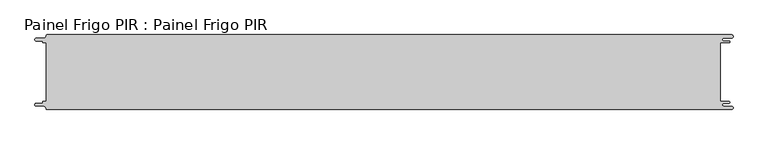
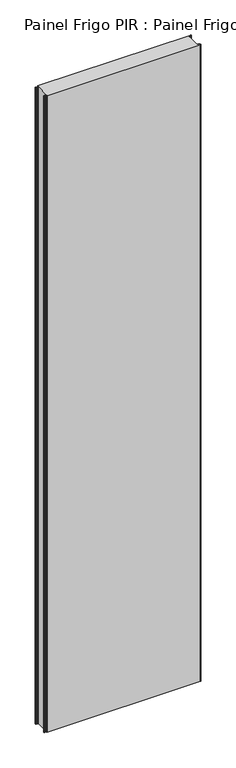
"""IFC4 building model written with IfcOpenShell, lengths in millimetres: proxy geometry, Painel Frigo PIR : Painel Frigo PIR."""

from ifc_helpers import new_model, si_unit, frame, origin, place, context, project, spatial, polyline, circle_curve, source, transform, mapped, element, save
from ifc_brep_helpers import plane_surface, cylinder_surface, revolved_surface, advanced_brep


def painel_frigo_pir_painel_frigo_pir_35807a9e(model_context):
    return source(origin(), model_context, "Body", "AdvancedBrep", [
        advanced_brep(
        [(-554.5874998, -47.3, 4800.0), (-555.1874998, -47.9, 4800.0), (-555.1874998, -48.7085184, 4800.0), (-556.5875001, -50.1085187, 4800.0), (-565.565625, -50.1085187, 4800.0), (-565.565625, -54.5085185, 4800.0), (-553.55, -54.5085185, 4800.0), (-550.0, -58.0585185, 4800.0), (-548.05, -60.0, 4800.0), (546.89375, -60.0, 4800.0), (546.89375, -54.725, 4800.0), (534.45625, -54.725, 4800.0), (534.45625, -49.875, 4800.0), (543.1187503, -49.875, 4800.0), (543.1187503, -47.3, 4800.0), (529.2687503, -47.3, 4800.0), (529.2687503, 47.3, 4800.0), (543.1187503, 47.3, 4800.0), (543.1187503, 49.875, 4800.0), (534.45625, 49.875, 4800.0), (534.45625, 54.725, 4800.0), (546.89375, 54.725, 4800.0), (546.89375, 60.0, 4800.0), (-548.05, 60.0, 4800.0), (-550.0, 58.05, 4800.0), (-553.55, 54.5085185, 4800.0), (-565.565625, 54.5085185, 4800.0), (-565.565625, 50.1085185, 4800.0), (-556.5875003, 50.1085185, 4800.0), (-555.1875003, 48.7085185, 4800.0), (-555.1875003, 47.9, 4800.0), (-554.5874998, 47.2999995, 4800.0), (-549.2999612, 47.2999995, 4800.0), (-549.2999612, -47.3, 4800.0), (-554.5874998, -47.3, 0.0), (-549.2999612, -47.3, 0.0), (-549.2999612, 47.2999995, 0.0), (-554.5874998, 47.2999995, 0.0), (-555.1875003, 47.9, 0.0), (-555.1875003, 48.7085185, 0.0), (-556.5875003, 50.1085185, 0.0), (-565.565625, 50.1085185, 0.0), (-565.565625, 54.5085185, 0.0), (-553.55, 54.5085185, 0.0), (-550.0, 58.0585185, 0.0), (-548.05, 60.0, 0.0), (546.89375, 60.0, 0.0), (546.89375, 54.725, 0.0), (534.45625, 54.725, 0.0), (534.45625, 49.875, 0.0), (543.1187503, 49.875, 0.0), (543.1187503, 47.3, 0.0), (529.2687503, 47.3, 0.0), (529.2687503, -47.3, 0.0), (543.1187503, -47.3, 0.0), (543.1187503, -49.875, 0.0), (534.45625, -49.875, 0.0), (534.45625, -54.725, 0.0), (546.89375, -54.725, 0.0), (546.89375, -60.0, 0.0), (-548.05, -60.0, 0.0), (-550.0, -58.05, 0.0), (-553.55, -54.5085185, 0.0), (-565.565625, -54.5085185, 0.0), (-565.565625, -50.1085187, 0.0), (-556.5875001, -50.1085187, 0.0), (-555.1874998, -48.7085184, 0.0), (-555.1874998, -47.9, 0.0)],
        [
            (0, 1, circle_curve(frame((-554.5874998, -47.9, 4800.0), z_axis=(0.0, 0.0, 1.0), x_axis=(1.0, 0.0, 0.0)), 0.6)),
            (1, 2),
            (2, 3, circle_curve(frame((-556.5875001, -48.7085184, 4800.0), z_axis=(0.0, 0.0, -1.0), x_axis=(1.0, 0.0, 0.0)), 1.4000003)),
            (3, 4),
            (4, 5, circle_curve(frame((-565.565625, -52.3085186, 4800.0), z_axis=(0.0, 0.0, 1.0), x_axis=(1.0, 0.0, 0.0)), 2.1999999)),
            (5, 6),
            (6, 7, circle_curve(frame((-553.55, -58.0585185, 4800.0), z_axis=(0.0, 0.0, -1.0), x_axis=(1.0, 0.0, 0.0)), 3.55)),
            (7, 8, circle_curve(frame((-548.05, -58.05, 4800.0), z_axis=(0.0, 0.0, 1.0), x_axis=(1.0, 0.0, 0.0)), 1.95)),
            (8, 9),
            (9, 10, circle_curve(frame((546.89375, -57.3625, 4800.0), z_axis=(0.0, 0.0, 1.0), x_axis=(1.0, 0.0, 0.0)), 2.6375)),
            (10, 11),
            (11, 12, circle_curve(frame((534.45625, -52.3, 4800.0), z_axis=(0.0, 0.0, -1.0), x_axis=(1.0, 0.0, 0.0)), 2.425)),
            (12, 13),
            (13, 14, circle_curve(frame((543.1187503, -48.5875, 4800.0), z_axis=(0.0, 0.0, 1.0), x_axis=(1.0, 0.0, 0.0)), 1.2875)),
            (14, 15),
            (15, 16),
            (16, 17),
            (17, 18, circle_curve(frame((543.1187503, 48.5875, 4800.0), z_axis=(0.0, 0.0, 1.0), x_axis=(1.0, 0.0, 0.0)), 1.2875)),
            (18, 19),
            (19, 20, circle_curve(frame((534.45625, 52.3, 4800.0), z_axis=(0.0, 0.0, -1.0), x_axis=(1.0, 0.0, 0.0)), 2.425)),
            (20, 21),
            (21, 22, circle_curve(frame((546.89375, 57.3625, 4800.0), z_axis=(0.0, 0.0, 1.0), x_axis=(1.0, 0.0, 0.0)), 2.6375)),
            (22, 23),
            (23, 24, circle_curve(frame((-548.05, 58.05, 4800.0), z_axis=(0.0, 0.0, 1.0), x_axis=(1.0, 0.0, 0.0)), 1.95)),
            (24, 25, circle_curve(frame((-553.55, 58.0585185, 4800.0), z_axis=(0.0, 0.0, -1.0), x_axis=(1.0, 0.0, 0.0)), 3.55)),
            (25, 26),
            (26, 27, circle_curve(frame((-565.565625, 52.3085185, 4800.0), z_axis=(0.0, 0.0, 1.0), x_axis=(1.0, 0.0, 0.0)), 2.2)),
            (27, 28),
            (28, 29, circle_curve(frame((-556.5875003, 48.7085185, 4800.0), z_axis=(0.0, 0.0, -1.0), x_axis=(1.0, 0.0, 0.0)), 1.4)),
            (29, 30),
            (30, 31, circle_curve(frame((-554.5874998, 47.9, 4800.0), z_axis=(0.0, 0.0, 1.0), x_axis=(1.0, 0.0, 0.0)), 0.6000005)),
            (31, 32),
            (32, 33),
            (33, 0),
            (34, 35),
            (35, 36),
            (36, 37),
            (37, 38, circle_curve(frame((-554.5874998, 47.9, 0.0), z_axis=(0.0, 0.0, -1.0), x_axis=(1.0, 0.0, 0.0)), 0.6000005)),
            (38, 39),
            (39, 40, circle_curve(frame((-556.5875003, 48.7085185, 0.0), z_axis=(0.0, 0.0, 1.0), x_axis=(1.0, 0.0, 0.0)), 1.4)),
            (40, 41),
            (41, 42, circle_curve(frame((-565.565625, 52.3085185, 0.0), z_axis=(0.0, 0.0, -1.0), x_axis=(1.0, 0.0, 0.0)), 2.2)),
            (42, 43),
            (43, 44, circle_curve(frame((-553.55, 58.0585185, 0.0), z_axis=(0.0, 0.0, 1.0), x_axis=(1.0, 0.0, 0.0)), 3.55)),
            (44, 45, circle_curve(frame((-548.05, 58.05, 0.0), z_axis=(0.0, 0.0, -1.0), x_axis=(1.0, 0.0, 0.0)), 1.95)),
            (45, 46),
            (46, 47, circle_curve(frame((546.89375, 57.3625, 0.0), z_axis=(0.0, 0.0, -1.0), x_axis=(1.0, 0.0, 0.0)), 2.6375)),
            (47, 48),
            (48, 49, circle_curve(frame((534.45625, 52.3, 0.0), z_axis=(0.0, 0.0, 1.0), x_axis=(1.0, 0.0, 0.0)), 2.425)),
            (49, 50),
            (50, 51, circle_curve(frame((543.1187503, 48.5875, 0.0), z_axis=(0.0, 0.0, -1.0), x_axis=(1.0, 0.0, 0.0)), 1.2875)),
            (51, 52),
            (52, 53),
            (53, 54),
            (54, 55, circle_curve(frame((543.1187503, -48.5875, 0.0), z_axis=(0.0, 0.0, -1.0), x_axis=(1.0, 0.0, 0.0)), 1.2875)),
            (55, 56),
            (56, 57, circle_curve(frame((534.45625, -52.3, 0.0), z_axis=(0.0, 0.0, 1.0), x_axis=(1.0, 0.0, 0.0)), 2.425)),
            (57, 58),
            (58, 59, circle_curve(frame((546.89375, -57.3625, 0.0), z_axis=(0.0, 0.0, -1.0), x_axis=(1.0, 0.0, 0.0)), 2.6375)),
            (59, 60),
            (60, 61, circle_curve(frame((-548.05, -58.05, 0.0), z_axis=(0.0, 0.0, -1.0), x_axis=(1.0, 0.0, 0.0)), 1.95)),
            (61, 62, circle_curve(frame((-553.55, -58.0585185, 0.0), z_axis=(0.0, 0.0, 1.0), x_axis=(1.0, 0.0, 0.0)), 3.55)),
            (62, 63),
            (63, 64, circle_curve(frame((-565.565625, -52.3085186, 0.0), z_axis=(0.0, 0.0, -1.0), x_axis=(1.0, 0.0, 0.0)), 2.1999999)),
            (64, 65),
            (65, 66, circle_curve(frame((-556.5875001, -48.7085184, 0.0), z_axis=(0.0, 0.0, 1.0), x_axis=(1.0, 0.0, 0.0)), 1.4000003)),
            (66, 67),
            (67, 34, circle_curve(frame((-554.5874998, -47.9, 0.0), z_axis=(0.0, 0.0, -1.0), x_axis=(1.0, 0.0, 0.0)), 0.6)),
            (33, 35),
            (34, 0),
            (32, 36),
            (31, 37),
            (30, 38),
            (29, 39),
            (28, 40),
            (27, 41),
            (26, 42),
            (25, 43),
            (24, 44),
            (23, 45),
            (22, 46),
            (15, 53),
            (52, 16),
            (14, 54),
            (13, 55),
            (12, 56),
            (11, 57),
            (10, 58),
            (9, 59),
            (8, 60),
            (7, 61),
            (6, 62),
            (5, 63),
            (4, 64),
            (3, 65),
            (2, 66),
            (1, 67),
            (21, 47),
            (20, 48),
            (19, 49),
            (18, 50),
            (17, 51),
        ],
        [
            plane_surface(frame((-549.2999612, -47.3, 4800.0), z_axis=(0.0, 0.0, 1.0), x_axis=(1.0, 0.0, 0.0))),
            plane_surface(frame((-549.2999612, -47.3, 0.0), z_axis=(0.0, 0.0, -1.0), x_axis=(-1.0, 0.0, 0.0))),
            plane_surface(frame((-554.5874998, -47.3, 4800.0), z_axis=(0.0, 1.0, 0.0), x_axis=(0.0, 0.0, -1.0))),
            plane_surface(frame((-549.2999612, -47.3, 4800.0), z_axis=(-1.0, 0.0, 0.0), x_axis=(0.0, 0.0, -1.0))),
            plane_surface(frame((-549.2999612, 47.2999995, 4800.0), z_axis=(0.0, -1.0, 0.0), x_axis=(0.0, 0.0, -1.0))),
            cylinder_surface(frame((-554.5874998, 47.9, 0.0), z_axis=(0.0, 0.0, 1.0), x_axis=(1.0, 0.0, 0.0)), 0.6000005),
            plane_surface(frame((-555.1875003, 47.9, 4800.0), z_axis=(-1.0, -1.757860866232952e-12, 0.0), x_axis=(0.0, 0.0, -1.0))),
            revolved_surface(polyline([(-555.1875003, 48.7085185, 0.0), (-555.1875003, 48.7085185, 4800.0)]), (-556.5875003, 48.7085185, 0.0), (0.0, 0.0, -1.0)),
            plane_surface(frame((-556.5875003, 50.1085185, 4800.0), z_axis=(0.0, -1.0, 0.0), x_axis=(0.0, 0.0, -1.0))),
            cylinder_surface(frame((-565.565625, 52.3085185, 0.0), z_axis=(0.0, 0.0, 1.0), x_axis=(1.0, 0.0, 0.0)), 2.2),
            plane_surface(frame((-565.565625, 54.5085185, 4800.0), z_axis=(0.0, 1.0, 0.0), x_axis=(0.0, 0.0, -1.0))),
            revolved_surface(polyline([(-550.0, 58.0585185, 0.0), (-550.0, 58.0585185, 4800.0)]), (-553.55, 58.0585185, 0.0), (0.0, 0.0, -1.0)),
            cylinder_surface(frame((-548.05, 58.05, 0.0), z_axis=(0.0, 0.0, 1.0), x_axis=(1.0, 0.0, 0.0)), 1.95),
            plane_surface(frame((-548.05, 60.0, 4800.0), z_axis=(0.0, 1.0, 0.0), x_axis=(0.0, 0.0, -1.0))),
            plane_surface(frame((529.2687503, 47.3, 4800.0), z_axis=(1.0, 0.0, 0.0), x_axis=(0.0, 0.0, -1.0))),
            plane_surface(frame((529.2687503, -47.3, 4800.0), z_axis=(0.0, 1.0, 0.0), x_axis=(0.0, 0.0, -1.0))),
            cylinder_surface(frame((543.1187503, -48.5875, 0.0), z_axis=(0.0, 0.0, 1.0), x_axis=(1.0, 0.0, 0.0)), 1.2875),
            plane_surface(frame((543.1187503, -49.875, 4800.0), z_axis=(0.0, -1.0, 0.0), x_axis=(0.0, 0.0, -1.0))),
            revolved_surface(polyline([(536.8812499999999, -52.3, 0.0), (536.8812499999999, -52.3, 4800.0)]), (534.45625, -52.3, 0.0), (0.0, 0.0, -1.0)),
            plane_surface(frame((534.45625, -54.725, 4800.0), z_axis=(0.0, 1.0, 0.0), x_axis=(0.0, 0.0, -1.0))),
            cylinder_surface(frame((546.89375, -57.3625, 0.0), z_axis=(0.0, 0.0, 1.0), x_axis=(1.0, 0.0, 0.0)), 2.6375),
            plane_surface(frame((546.89375, -60.0, 4800.0), z_axis=(0.0, -1.0, 0.0), x_axis=(0.0, 0.0, -1.0))),
            cylinder_surface(frame((-548.05, -58.05, 0.0), z_axis=(0.0, 0.0, 1.0), x_axis=(1.0, 0.0, 0.0)), 1.95),
            revolved_surface(polyline([(-550.0, -58.0585185, 0.0), (-550.0, -58.0585185, 4800.0)]), (-553.55, -58.0585185, 0.0), (0.0, 0.0, -1.0)),
            plane_surface(frame((-553.55, -54.5085185, 4800.0), z_axis=(0.0, -1.0, 0.0), x_axis=(0.0, 0.0, -1.0))),
            cylinder_surface(frame((-565.565625, -52.3085186, 0.0), z_axis=(0.0, 0.0, 1.0), x_axis=(1.0, 0.0, 0.0)), 2.1999999),
            plane_surface(frame((-565.565625, -50.1085187, 4800.0), z_axis=(0.0, 1.0, 0.0), x_axis=(0.0, 0.0, -1.0))),
            revolved_surface(polyline([(-555.1874998000001, -48.7085184, 0.0), (-555.1874998000001, -48.7085184, 4800.0)]), (-556.5875001, -48.7085184, 0.0), (0.0, 0.0, -1.0)),
            plane_surface(frame((-555.1874998, -48.7085184, 4800.0), z_axis=(-1.0, 0.0, 0.0), x_axis=(0.0, 0.0, -1.0))),
            cylinder_surface(frame((-554.5874998, -47.9, 0.0), z_axis=(0.0, 0.0, 1.0), x_axis=(1.0, 0.0, 0.0)), 0.6),
            cylinder_surface(frame((546.89375, 57.3625, 0.0), z_axis=(0.0, 0.0, 1.0), x_axis=(1.0, 0.0, 0.0)), 2.6375),
            plane_surface(frame((546.89375, 54.725, 4800.0), z_axis=(0.0, -1.0, 0.0), x_axis=(0.0, 0.0, -1.0))),
            revolved_surface(polyline([(536.8812499999999, 52.3, 0.0), (536.8812499999999, 52.3, 4800.0)]), (534.45625, 52.3, 0.0), (0.0, 0.0, -1.0)),
            plane_surface(frame((534.45625, 49.875, 4800.0), z_axis=(0.0, 1.0, 0.0), x_axis=(0.0, 0.0, -1.0))),
            cylinder_surface(frame((543.1187503, 48.5875, 0.0), z_axis=(0.0, 0.0, 1.0), x_axis=(1.0, 0.0, 0.0)), 1.2875),
            plane_surface(frame((543.1187503, 47.3, 4800.0), z_axis=(0.0, -1.0, 0.0), x_axis=(0.0, 0.0, -1.0))),
        ],
        [
            (0, [[1, 2, 3, 4, 5, 6, 7, 8, 9, 10, 11, 12, 13, 14, 15, 16, 17, 18, 19, 20, 21, 22, 23, 24, 25, 26, 27, 28, 29, 30, 31, 32, 33, 34]]),
            (1, [[35, 36, 37, 38, 39, 40, 41, 42, 43, 44, 45, 46, 47, 48, 49, 50, 51, 52, 53, 54, 55, 56, 57, 58, 59, 60, 61, 62, 63, 64, 65, 66, 67, 68]]),
            (2, [[69, -35, 70, -34]]),
            (3, [[71, -36, -69, -33]]),
            (4, [[72, -37, -71, -32]]),
            (5, [[73, -38, -72, -31]]),
            (6, [[74, -39, -73, -30]]),
            (7, [[75, -40, -74, -29]]),
            (8, [[76, -41, -75, -28]]),
            (9, [[77, -42, -76, -27]]),
            (10, [[78, -43, -77, -26]]),
            (11, [[79, -44, -78, -25]]),
            (12, [[80, -45, -79, -24]]),
            (13, [[81, -46, -80, -23]]),
            (14, [[82, -53, 83, -16]]),
            (15, [[84, -54, -82, -15]]),
            (16, [[85, -55, -84, -14]]),
            (17, [[86, -56, -85, -13]]),
            (18, [[87, -57, -86, -12]]),
            (19, [[88, -58, -87, -11]]),
            (20, [[89, -59, -88, -10]]),
            (21, [[90, -60, -89, -9]]),
            (22, [[91, -61, -90, -8]]),
            (23, [[92, -62, -91, -7]]),
            (24, [[93, -63, -92, -6]]),
            (25, [[94, -64, -93, -5]]),
            (26, [[95, -65, -94, -4]]),
            (27, [[96, -66, -95, -3]]),
            (28, [[97, -67, -96, -2]]),
            (29, [[-70, -68, -97, -1]]),
            (30, [[98, -47, -81, -22]]),
            (31, [[99, -48, -98, -21]]),
            (32, [[100, -49, -99, -20]]),
            (33, [[101, -50, -100, -19]]),
            (34, [[102, -51, -101, -18]]),
            (35, [[-83, -52, -102, -17]]),
        ],
    ),
    ])


if __name__ == "__main__":
    model = new_model("IFC4")
    model_context = context("Model", 3, world=origin())
    ifc_project = project(units=[si_unit("LENGTHUNIT", "METRE", prefix="MILLI")], contexts=[model_context])
    site = spatial("IfcSite", under=ifc_project)
    building = spatial("IfcBuilding", under=site)
    placement = place(None, origin())
    painel_frigo_pir_painel_frigo_pir_shape = painel_frigo_pir_painel_frigo_pir_35807a9e(model_context)
    element("IfcBuildingElementProxy", 1, Name="Painel Frigo PIR : Painel Frigo PIR", ObjectType="Painel Frigo PIR : Painel Frigo PIR", at=placement, inside=building, context=model_context, shape_type="MappedRepresentation", body=[
        mapped(painel_frigo_pir_painel_frigo_pir_shape, transform((0.0, 0.0, 0.0), x_axis=(1.0, 0.0, 0.0), y_axis=(0.0, 1.0, 0.0), z_axis=(0.0, 0.0, 1.0))),
    ])
    save(model, "model.ifc")
